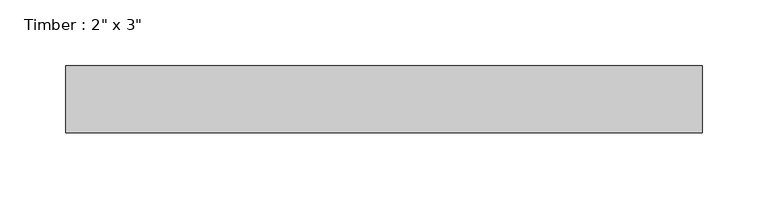
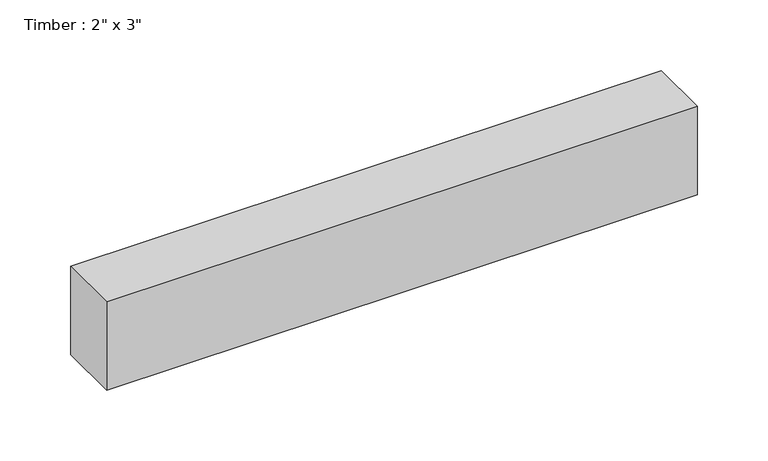
"""IFC4 building model written with IfcOpenShell, lengths in millimetres: beam geometry."""

from ifc_helpers import new_model, si_unit, frame, origin, place, context, project, spatial, polyline, outline, extrude, source, transform, mapped, element, save


def beam_a2baf3f0(model_context):
    return source(origin(), model_context, "Body", "SweptSolid", [
        extrude(outline(polyline([(241.3010565, -25.4), (-241.3010565, -25.4), (-241.3010565, 25.4), (241.3010565, 25.4), (241.3010565, -25.4)])), frame((0.0, 0.0, -38.1), z_axis=(0.0, 0.0, 1.0), x_axis=(1.0, 0.0, 0.0)), (0.0, 0.0, 1.0), 76.2),
    ])


if __name__ == "__main__":
    model = new_model("IFC4")
    model_context = context("Model", 3, world=origin())
    ifc_project = project(units=[si_unit("LENGTHUNIT", "METRE", prefix="MILLI")], contexts=[model_context])
    site = spatial("IfcSite", under=ifc_project)
    building = spatial("IfcBuilding", under=site)
    placement = place(None, origin())
    beam_shape = beam_a2baf3f0(model_context)
    element("IfcBeam", 1, ObjectType="Timber : 2\" x 3\"", at=placement, inside=building, context=model_context, shape_type="MappedRepresentation", body=[
        mapped(beam_shape, transform((0.0, 0.0, 0.0), x_axis=(1.0, 0.0, 0.0), y_axis=(0.0, 1.0, 0.0), z_axis=(0.0, 0.0, 1.0))),
    ])
    save(model, "model.ifc")
